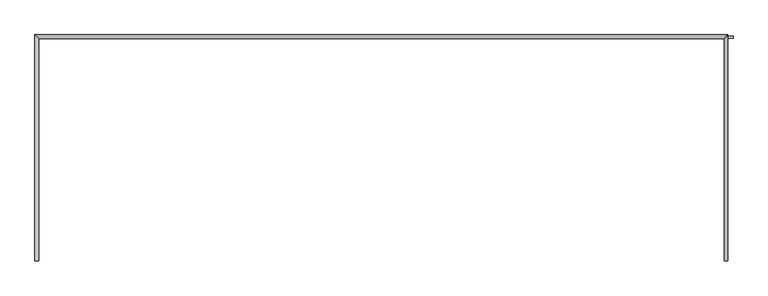
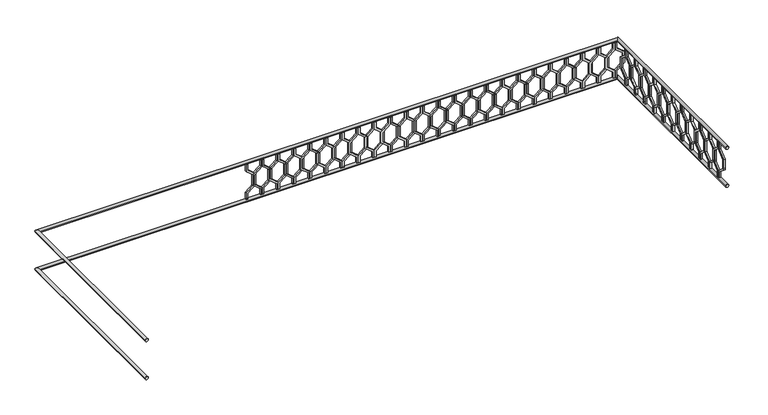
"""IFC4 building model written with IfcOpenShell, lengths in millimetres: railing geometry."""

from ifc_helpers import new_model, si_unit, frame, origin, place, context, project, spatial, polyline, circle_curve, ellipse_curve, outline, extrude, source, transform, mapped, element, save
from ifc_brep_helpers import plane_surface, cylinder_surface, advanced_brep


def railing_8a03a0f4(model_context):
    return source(origin(), model_context, "Body", "SolidModel", [
        advanced_brep(
        [(42360.0112841, 903.1079487, 22080.0), (42320.0112841, 903.1079487, 22080.0), (42320.0112841, 3283.1079487, 22080.0), (42360.0112841, 3243.1079487, 22080.0), (49600.0112841, 3283.1079487, 22080.0), (49560.0112841, 3243.1079487, 22080.0), (49560.0112841, 903.1079487, 22080.0), (49600.0112841, 903.1079487, 22080.0)],
        [
            (0, 1, circle_curve(frame((42340.0112841, 903.1079487, 22080.0), z_axis=(0.0, -1.0, 0.0), x_axis=(-1.0, 0.0, 0.0)), 20.0)),
            (1, 0, circle_curve(frame((42340.0112841, 903.1079487, 22080.0), z_axis=(0.0, -1.0, 0.0), x_axis=(-1.0, 0.0, 0.0)), 20.0)),
            (1, 2),
            (2, 3, ellipse_curve(frame((42340.0112841, 3263.1079487, 22080.0), z_axis=(-0.7071067811865475, -0.7071067811865476, 0.0), x_axis=(0.7071067811865476, -0.7071067811865475, 0.0)), 28.2842712, 20.0)),
            (3, 0),
            (3, 2, ellipse_curve(frame((42340.0112841, 3263.1079487, 22080.0), z_axis=(-0.7071067811865475, -0.7071067811865476, 0.0), x_axis=(0.7071067811865476, -0.7071067811865475, 0.0)), 28.2842712, 20.0)),
            (2, 4),
            (4, 5, ellipse_curve(frame((49580.0112841, 3263.1079487, 22080.0), z_axis=(-0.7071067811865481, 0.7071067811865469, 0.0), x_axis=(-0.7071067811865469, -0.7071067811865481, 0.0)), 28.2842712, 20.0)),
            (5, 3),
            (5, 4, ellipse_curve(frame((49580.0112841, 3263.1079487, 22080.0), z_axis=(-0.7071067811865481, 0.7071067811865469, 0.0), x_axis=(-0.7071067811865469, -0.7071067811865481, 0.0)), 28.2842712, 20.0)),
            (6, 7, circle_curve(frame((49580.0112841, 903.1079487, 22080.0), z_axis=(0.0, -1.0, 0.0), x_axis=(1.0, 0.0, 0.0)), 20.0)),
            (7, 6, circle_curve(frame((49580.0112841, 903.1079487, 22080.0), z_axis=(0.0, -1.0, 0.0), x_axis=(1.0, 0.0, 0.0)), 20.0)),
            (4, 7),
            (6, 5),
        ],
        [
            plane_surface(frame((42340.0112841, 903.1079487, 22100.0), z_axis=(0.0, -1.0, 0.0), x_axis=(0.0, 0.0, 1.0))),
            cylinder_surface(frame((42340.0112841, 903.1079487, 22080.0), z_axis=(0.0, -1.0, 0.0), x_axis=(-1.0, 0.0, 0.0)), 20.0),
            cylinder_surface(frame((42340.0112841, 3263.1079487, 22080.0), z_axis=(-1.0, 0.0, 0.0), x_axis=(0.0, 1.0, 0.0)), 20.0),
            plane_surface(frame((49580.0112841, 903.1079487, 22100.0), z_axis=(0.0, -1.0, 0.0), x_axis=(0.0, 0.0, -1.0))),
            cylinder_surface(frame((49580.0112841, 3263.1079487, 22080.0), z_axis=(0.0, 1.0, 0.0), x_axis=(1.0, 0.0, 0.0)), 20.0),
        ],
        [
            (0, [[1, 2]]),
            (1, [[-2, 3, 4, 5]]),
            (1, [[-1, -5, 6, -3]]),
            (2, [[-4, 7, 8, 9]]),
            (2, [[-6, -9, 10, -7]]),
            (3, [[11, 12]]),
            (4, [[-8, 13, -11, 14]]),
            (4, [[-10, -14, -12, -13]]),
        ],
    ),
        advanced_brep(
        [(42360.0112841, 903.1079487, 21580.0), (42320.0112841, 903.1079487, 21580.0), (42320.0112841, 3283.1079487, 21580.0), (42360.0112841, 3243.1079487, 21580.0), (49600.0112841, 3283.1079487, 21580.0), (49560.0112841, 3243.1079487, 21580.0), (49560.0112841, 903.1079487, 21580.0), (49600.0112841, 903.1079487, 21580.0)],
        [
            (0, 1, circle_curve(frame((42340.0112841, 903.1079487, 21580.0), z_axis=(0.0, -1.0, 0.0), x_axis=(-1.0, 0.0, 0.0)), 20.0)),
            (1, 0, circle_curve(frame((42340.0112841, 903.1079487, 21580.0), z_axis=(0.0, -1.0, 0.0), x_axis=(-1.0, 0.0, 0.0)), 20.0)),
            (1, 2),
            (2, 3, ellipse_curve(frame((42340.0112841, 3263.1079487, 21580.0), z_axis=(-0.7071067811865475, -0.7071067811865476, 0.0), x_axis=(0.7071067811865476, -0.7071067811865475, 0.0)), 28.2842712, 20.0)),
            (3, 0),
            (3, 2, ellipse_curve(frame((42340.0112841, 3263.1079487, 21580.0), z_axis=(-0.7071067811865475, -0.7071067811865476, 0.0), x_axis=(0.7071067811865476, -0.7071067811865475, 0.0)), 28.2842712, 20.0)),
            (2, 4),
            (4, 5, ellipse_curve(frame((49580.0112841, 3263.1079487, 21580.0), z_axis=(-0.7071067811865481, 0.7071067811865469, 0.0), x_axis=(-0.7071067811865469, -0.7071067811865481, 0.0)), 28.2842712, 20.0)),
            (5, 3),
            (5, 4, ellipse_curve(frame((49580.0112841, 3263.1079487, 21580.0), z_axis=(-0.7071067811865481, 0.7071067811865469, 0.0), x_axis=(-0.7071067811865469, -0.7071067811865481, 0.0)), 28.2842712, 20.0)),
            (6, 7, circle_curve(frame((49580.0112841, 903.1079487, 21580.0), z_axis=(0.0, -1.0, 0.0), x_axis=(1.0, 0.0, 0.0)), 20.0)),
            (7, 6, circle_curve(frame((49580.0112841, 903.1079487, 21580.0), z_axis=(0.0, -1.0, 0.0), x_axis=(1.0, 0.0, 0.0)), 20.0)),
            (4, 7),
            (6, 5),
        ],
        [
            plane_surface(frame((42340.0112841, 903.1079487, 21600.0), z_axis=(0.0, -1.0, 0.0), x_axis=(0.0, 0.0, 1.0))),
            cylinder_surface(frame((42340.0112841, 903.1079487, 21580.0), z_axis=(0.0, -1.0, 0.0), x_axis=(-1.0, 0.0, 0.0)), 20.0),
            cylinder_surface(frame((42340.0112841, 3263.1079487, 21580.0), z_axis=(-1.0, 0.0, 0.0), x_axis=(0.0, 1.0, 0.0)), 20.0),
            plane_surface(frame((49580.0112841, 903.1079487, 21600.0), z_axis=(0.0, -1.0, 0.0), x_axis=(0.0, 0.0, -1.0))),
            cylinder_surface(frame((49580.0112841, 3263.1079487, 21580.0), z_axis=(0.0, 1.0, 0.0), x_axis=(1.0, 0.0, 0.0)), 20.0),
        ],
        [
            (0, [[1, 2]]),
            (1, [[-2, 3, 4, 5]]),
            (1, [[-1, -5, 6, -3]]),
            (2, [[-4, 7, 8, 9]]),
            (2, [[-6, -9, 10, -7]]),
            (3, [[11, 12]]),
            (4, [[-8, 13, -11, 14]]),
            (4, [[-10, -14, -12, -13]]),
        ],
    ),
        extrude(outline(polyline([(1068.1079487, 22060.0), (1068.1079487, 21970.448155), (969.1129993, 21890.448155), (969.1129993, 21769.551845), (1068.1079487, 21689.551845), (1068.1079487, 21600.0), (1048.1079487, 21600.0), (1048.1079487, 21680.0), (949.1129993, 21760.0), (949.1129993, 21900.0), (1048.1079487, 21980.0), (1048.1079487, 22060.0), (1068.1079487, 22060.0)])), frame((49565.0112841, 0.0, 0.0), z_axis=(1.0, 0.0, 0.0), x_axis=(0.0, 1.0, 0.0)), (0.0, 0.0, 1.0), 20.0),
        extrude(outline(polyline([(1068.1079487, 22060.0), (1088.1079487, 22060.0), (1088.1079487, 21980.0), (1187.102898, 21900.0), (1187.102898, 21760.0), (1088.1079487, 21680.0), (1088.1079487, 21600.0), (1068.1079487, 21600.0), (1068.1079487, 21689.551845), (1167.102898, 21769.551845), (1167.102898, 21890.448155), (1068.1079487, 21970.448155), (1068.1079487, 22060.0)])), frame((49565.0112841, 0.0, 0.0), z_axis=(1.0, 0.0, 0.0), x_axis=(0.0, 1.0, 0.0)), (0.0, 0.0, 1.0), 20.0),
        extrude(outline(polyline([(1268.1079487, 22060.0), (1268.1079487, 21970.448155), (1169.1129993, 21890.448155), (1169.1129993, 21769.551845), (1268.1079487, 21689.551845), (1268.1079487, 21600.0), (1248.1079487, 21600.0), (1248.1079487, 21680.0), (1149.1129993, 21760.0), (1149.1129993, 21900.0), (1248.1079487, 21980.0), (1248.1079487, 22060.0), (1268.1079487, 22060.0)])), frame((49565.0112841, 0.0, 0.0), z_axis=(1.0, 0.0, 0.0), x_axis=(0.0, 1.0, 0.0)), (0.0, 0.0, 1.0), 20.0),
        extrude(outline(polyline([(1268.1079487, 22060.0), (1288.1079487, 22060.0), (1288.1079487, 21980.0), (1387.102898, 21900.0), (1387.102898, 21760.0), (1288.1079487, 21680.0), (1288.1079487, 21600.0), (1268.1079487, 21600.0), (1268.1079487, 21689.551845), (1367.102898, 21769.551845), (1367.102898, 21890.448155), (1268.1079487, 21970.448155), (1268.1079487, 22060.0)])), frame((49565.0112841, 0.0, 0.0), z_axis=(1.0, 0.0, 0.0), x_axis=(0.0, 1.0, 0.0)), (0.0, 0.0, 1.0), 20.0),
        extrude(outline(polyline([(1468.1079487, 22060.0), (1468.1079487, 21970.448155), (1369.1129993, 21890.448155), (1369.1129993, 21769.551845), (1468.1079487, 21689.551845), (1468.1079487, 21600.0), (1448.1079487, 21600.0), (1448.1079487, 21680.0), (1349.1129993, 21760.0), (1349.1129993, 21900.0), (1448.1079487, 21980.0), (1448.1079487, 22060.0), (1468.1079487, 22060.0)])), frame((49565.0112841, 0.0, 0.0), z_axis=(1.0, 0.0, 0.0), x_axis=(0.0, 1.0, 0.0)), (0.0, 0.0, 1.0), 20.0),
        extrude(outline(polyline([(1468.1079487, 22060.0), (1488.1079487, 22060.0), (1488.1079487, 21980.0), (1587.102898, 21900.0), (1587.102898, 21760.0), (1488.1079487, 21680.0), (1488.1079487, 21600.0), (1468.1079487, 21600.0), (1468.1079487, 21689.551845), (1567.102898, 21769.551845), (1567.102898, 21890.448155), (1468.1079487, 21970.448155), (1468.1079487, 22060.0)])), frame((49565.0112841, 0.0, 0.0), z_axis=(1.0, 0.0, 0.0), x_axis=(0.0, 1.0, 0.0)), (0.0, 0.0, 1.0), 20.0),
        extrude(outline(polyline([(1668.1079487, 22060.0), (1668.1079487, 21970.448155), (1569.1129993, 21890.448155), (1569.1129993, 21769.551845), (1668.1079487, 21689.551845), (1668.1079487, 21600.0), (1648.1079487, 21600.0), (1648.1079487, 21680.0), (1549.1129993, 21760.0), (1549.1129993, 21900.0), (1648.1079487, 21980.0), (1648.1079487, 22060.0), (1668.1079487, 22060.0)])), frame((49565.0112841, 0.0, 0.0), z_axis=(1.0, 0.0, 0.0), x_axis=(0.0, 1.0, 0.0)), (0.0, 0.0, 1.0), 20.0),
        extrude(outline(polyline([(1668.1079487, 22060.0), (1688.1079487, 22060.0), (1688.1079487, 21980.0), (1787.102898, 21900.0), (1787.102898, 21760.0), (1688.1079487, 21680.0), (1688.1079487, 21600.0), (1668.1079487, 21600.0), (1668.1079487, 21689.551845), (1767.102898, 21769.551845), (1767.102898, 21890.448155), (1668.1079487, 21970.448155), (1668.1079487, 22060.0)])), frame((49565.0112841, 0.0, 0.0), z_axis=(1.0, 0.0, 0.0), x_axis=(0.0, 1.0, 0.0)), (0.0, 0.0, 1.0), 20.0),
        extrude(outline(polyline([(1868.1079487, 22060.0), (1868.1079487, 21970.448155), (1769.1129993, 21890.448155), (1769.1129993, 21769.551845), (1868.1079487, 21689.551845), (1868.1079487, 21600.0), (1848.1079487, 21600.0), (1848.1079487, 21680.0), (1749.1129993, 21760.0), (1749.1129993, 21900.0), (1848.1079487, 21980.0), (1848.1079487, 22060.0), (1868.1079487, 22060.0)])), frame((49565.0112841, 0.0, 0.0), z_axis=(1.0, 0.0, 0.0), x_axis=(0.0, 1.0, 0.0)), (0.0, 0.0, 1.0), 20.0),
        extrude(outline(polyline([(1868.1079487, 22060.0), (1888.1079487, 22060.0), (1888.1079487, 21980.0), (1987.102898, 21900.0), (1987.102898, 21760.0), (1888.1079487, 21680.0), (1888.1079487, 21600.0), (1868.1079487, 21600.0), (1868.1079487, 21689.551845), (1967.102898, 21769.551845), (1967.102898, 21890.448155), (1868.1079487, 21970.448155), (1868.1079487, 22060.0)])), frame((49565.0112841, 0.0, 0.0), z_axis=(1.0, 0.0, 0.0), x_axis=(0.0, 1.0, 0.0)), (0.0, 0.0, 1.0), 20.0),
        extrude(outline(polyline([(2068.1079487, 22060.0), (2068.1079487, 21970.448155), (1969.1129993, 21890.448155), (1969.1129993, 21769.551845), (2068.1079487, 21689.551845), (2068.1079487, 21600.0), (2048.1079487, 21600.0), (2048.1079487, 21680.0), (1949.1129993, 21760.0), (1949.1129993, 21900.0), (2048.1079487, 21980.0), (2048.1079487, 22060.0), (2068.1079487, 22060.0)])), frame((49565.0112841, 0.0, 0.0), z_axis=(1.0, 0.0, 0.0), x_axis=(0.0, 1.0, 0.0)), (0.0, 0.0, 1.0), 20.0),
        extrude(outline(polyline([(2068.1079487, 22060.0), (2088.1079487, 22060.0), (2088.1079487, 21980.0), (2187.102898, 21900.0), (2187.102898, 21760.0), (2088.1079487, 21680.0), (2088.1079487, 21600.0), (2068.1079487, 21600.0), (2068.1079487, 21689.551845), (2167.102898, 21769.551845), (2167.102898, 21890.448155), (2068.1079487, 21970.448155), (2068.1079487, 22060.0)])), frame((49565.0112841, 0.0, 0.0), z_axis=(1.0, 0.0, 0.0), x_axis=(0.0, 1.0, 0.0)), (0.0, 0.0, 1.0), 20.0),
        extrude(outline(polyline([(2268.1079487, 22060.0), (2268.1079487, 21970.448155), (2169.1129993, 21890.448155), (2169.1129993, 21769.551845), (2268.1079487, 21689.551845), (2268.1079487, 21600.0), (2248.1079487, 21600.0), (2248.1079487, 21680.0), (2149.1129993, 21760.0), (2149.1129993, 21900.0), (2248.1079487, 21980.0), (2248.1079487, 22060.0), (2268.1079487, 22060.0)])), frame((49565.0112841, 0.0, 0.0), z_axis=(1.0, 0.0, 0.0), x_axis=(0.0, 1.0, 0.0)), (0.0, 0.0, 1.0), 20.0),
        extrude(outline(polyline([(2268.1079487, 22060.0), (2288.1079487, 22060.0), (2288.1079487, 21980.0), (2387.102898, 21900.0), (2387.102898, 21760.0), (2288.1079487, 21680.0), (2288.1079487, 21600.0), (2268.1079487, 21600.0), (2268.1079487, 21689.551845), (2367.102898, 21769.551845), (2367.102898, 21890.448155), (2268.1079487, 21970.448155), (2268.1079487, 22060.0)])), frame((49565.0112841, 0.0, 0.0), z_axis=(1.0, 0.0, 0.0), x_axis=(0.0, 1.0, 0.0)), (0.0, 0.0, 1.0), 20.0),
        extrude(outline(polyline([(2468.1079487, 22060.0), (2468.1079487, 21970.448155), (2369.1129993, 21890.448155), (2369.1129993, 21769.551845), (2468.1079487, 21689.551845), (2468.1079487, 21600.0), (2448.1079487, 21600.0), (2448.1079487, 21680.0), (2349.1129993, 21760.0), (2349.1129993, 21900.0), (2448.1079487, 21980.0), (2448.1079487, 22060.0), (2468.1079487, 22060.0)])), frame((49565.0112841, 0.0, 0.0), z_axis=(1.0, 0.0, 0.0), x_axis=(0.0, 1.0, 0.0)), (0.0, 0.0, 1.0), 20.0),
        extrude(outline(polyline([(2468.1079487, 22060.0), (2488.1079487, 22060.0), (2488.1079487, 21980.0), (2587.102898, 21900.0), (2587.102898, 21760.0), (2488.1079487, 21680.0), (2488.1079487, 21600.0), (2468.1079487, 21600.0), (2468.1079487, 21689.551845), (2567.102898, 21769.551845), (2567.102898, 21890.448155), (2468.1079487, 21970.448155), (2468.1079487, 22060.0)])), frame((49565.0112841, 0.0, 0.0), z_axis=(1.0, 0.0, 0.0), x_axis=(0.0, 1.0, 0.0)), (0.0, 0.0, 1.0), 20.0),
        extrude(outline(polyline([(2668.1079487, 22060.0), (2668.1079487, 21970.448155), (2569.1129993, 21890.448155), (2569.1129993, 21769.551845), (2668.1079487, 21689.551845), (2668.1079487, 21600.0), (2648.1079487, 21600.0), (2648.1079487, 21680.0), (2549.1129993, 21760.0), (2549.1129993, 21900.0), (2648.1079487, 21980.0), (2648.1079487, 22060.0), (2668.1079487, 22060.0)])), frame((49565.0112841, 0.0, 0.0), z_axis=(1.0, 0.0, 0.0), x_axis=(0.0, 1.0, 0.0)), (0.0, 0.0, 1.0), 20.0),
        extrude(outline(polyline([(2668.1079487, 22060.0), (2688.1079487, 22060.0), (2688.1079487, 21980.0), (2787.102898, 21900.0), (2787.102898, 21760.0), (2688.1079487, 21680.0), (2688.1079487, 21600.0), (2668.1079487, 21600.0), (2668.1079487, 21689.551845), (2767.102898, 21769.551845), (2767.102898, 21890.448155), (2668.1079487, 21970.448155), (2668.1079487, 22060.0)])), frame((49565.0112841, 0.0, 0.0), z_axis=(1.0, 0.0, 0.0), x_axis=(0.0, 1.0, 0.0)), (0.0, 0.0, 1.0), 20.0),
        extrude(outline(polyline([(2868.1079487, 22060.0), (2868.1079487, 21970.448155), (2769.1129993, 21890.448155), (2769.1129993, 21769.551845), (2868.1079487, 21689.551845), (2868.1079487, 21600.0), (2848.1079487, 21600.0), (2848.1079487, 21680.0), (2749.1129993, 21760.0), (2749.1129993, 21900.0), (2848.1079487, 21980.0), (2848.1079487, 22060.0), (2868.1079487, 22060.0)])), frame((49565.0112841, 0.0, 0.0), z_axis=(1.0, 0.0, 0.0), x_axis=(0.0, 1.0, 0.0)), (0.0, 0.0, 1.0), 20.0),
        extrude(outline(polyline([(2868.1079487, 22060.0), (2888.1079487, 22060.0), (2888.1079487, 21980.0), (2987.102898, 21900.0), (2987.102898, 21760.0), (2888.1079487, 21680.0), (2888.1079487, 21600.0), (2868.1079487, 21600.0), (2868.1079487, 21689.551845), (2967.102898, 21769.551845), (2967.102898, 21890.448155), (2868.1079487, 21970.448155), (2868.1079487, 22060.0)])), frame((49565.0112841, 0.0, 0.0), z_axis=(1.0, 0.0, 0.0), x_axis=(0.0, 1.0, 0.0)), (0.0, 0.0, 1.0), 20.0),
        extrude(outline(polyline([(3068.1079487, 22060.0), (3068.1079487, 21970.448155), (2969.1129993, 21890.448155), (2969.1129993, 21769.551845), (3068.1079487, 21689.551845), (3068.1079487, 21600.0), (3048.1079487, 21600.0), (3048.1079487, 21680.0), (2949.1129993, 21760.0), (2949.1129993, 21900.0), (3048.1079487, 21980.0), (3048.1079487, 22060.0), (3068.1079487, 22060.0)])), frame((49565.0112841, 0.0, 0.0), z_axis=(1.0, 0.0, 0.0), x_axis=(0.0, 1.0, 0.0)), (0.0, 0.0, 1.0), 20.0),
        extrude(outline(polyline([(3068.1079487, 22060.0), (3088.1079487, 22060.0), (3088.1079487, 21980.0), (3187.102898, 21900.0), (3187.102898, 21760.0), (3088.1079487, 21680.0), (3088.1079487, 21600.0), (3068.1079487, 21600.0), (3068.1079487, 21689.551845), (3167.102898, 21769.551845), (3167.102898, 21890.448155), (3068.1079487, 21970.448155), (3068.1079487, 22060.0)])), frame((49565.0112841, 0.0, 0.0), z_axis=(1.0, 0.0, 0.0), x_axis=(0.0, 1.0, 0.0)), (0.0, 0.0, 1.0), 20.0),
        extrude(outline(polyline([(22060.0, 49535.0112841), (21970.448155, 49535.0112841), (21890.448155, 49634.0062335), (21769.551845, 49634.0062335), (21689.551845, 49535.0112841), (21600.0, 49535.0112841), (21600.0, 49555.0112841), (21680.0, 49555.0112841), (21760.0, 49654.0062335), (21900.0, 49654.0062335), (21980.0, 49555.0112841), (22060.0, 49555.0112841), (22060.0, 49535.0112841)])), frame((0.0, 3248.1079487, 0.0), z_axis=(0.0, 1.0, 0.0), x_axis=(0.0, 0.0, 1.0)), (0.0, 0.0, 1.0), 20.0),
        extrude(outline(polyline([(22060.0, 49535.0112841), (22060.0, 49515.0112841), (21980.0, 49515.0112841), (21900.0, 49416.0163347), (21760.0, 49416.0163347), (21680.0, 49515.0112841), (21600.0, 49515.0112841), (21600.0, 49535.0112841), (21689.551845, 49535.0112841), (21769.551845, 49436.0163347), (21890.448155, 49436.0163347), (21970.448155, 49535.0112841), (22060.0, 49535.0112841)])), frame((0.0, 3248.1079487, 0.0), z_axis=(0.0, 1.0, 0.0), x_axis=(0.0, 0.0, 1.0)), (0.0, 0.0, 1.0), 20.0),
        extrude(outline(polyline([(22060.0, 49335.0112841), (21970.448155, 49335.0112841), (21890.448155, 49434.0062335), (21769.551845, 49434.0062335), (21689.551845, 49335.0112841), (21600.0, 49335.0112841), (21600.0, 49355.0112841), (21680.0, 49355.0112841), (21760.0, 49454.0062335), (21900.0, 49454.0062335), (21980.0, 49355.0112841), (22060.0, 49355.0112841), (22060.0, 49335.0112841)])), frame((0.0, 3248.1079487, 0.0), z_axis=(0.0, 1.0, 0.0), x_axis=(0.0, 0.0, 1.0)), (0.0, 0.0, 1.0), 20.0),
        extrude(outline(polyline([(22060.0, 49335.0112841), (22060.0, 49315.0112841), (21980.0, 49315.0112841), (21900.0, 49216.0163347), (21760.0, 49216.0163347), (21680.0, 49315.0112841), (21600.0, 49315.0112841), (21600.0, 49335.0112841), (21689.551845, 49335.0112841), (21769.551845, 49236.0163347), (21890.448155, 49236.0163347), (21970.448155, 49335.0112841), (22060.0, 49335.0112841)])), frame((0.0, 3248.1079487, 0.0), z_axis=(0.0, 1.0, 0.0), x_axis=(0.0, 0.0, 1.0)), (0.0, 0.0, 1.0), 20.0),
        extrude(outline(polyline([(22060.0, 49135.0112841), (21970.448155, 49135.0112841), (21890.448155, 49234.0062335), (21769.551845, 49234.0062335), (21689.551845, 49135.0112841), (21600.0, 49135.0112841), (21600.0, 49155.0112841), (21680.0, 49155.0112841), (21760.0, 49254.0062335), (21900.0, 49254.0062335), (21980.0, 49155.0112841), (22060.0, 49155.0112841), (22060.0, 49135.0112841)])), frame((0.0, 3248.1079487, 0.0), z_axis=(0.0, 1.0, 0.0), x_axis=(0.0, 0.0, 1.0)), (0.0, 0.0, 1.0), 20.0),
        extrude(outline(polyline([(22060.0, 49135.0112841), (22060.0, 49115.0112841), (21980.0, 49115.0112841), (21900.0, 49016.0163347), (21760.0, 49016.0163347), (21680.0, 49115.0112841), (21600.0, 49115.0112841), (21600.0, 49135.0112841), (21689.551845, 49135.0112841), (21769.551845, 49036.0163347), (21890.448155, 49036.0163347), (21970.448155, 49135.0112841), (22060.0, 49135.0112841)])), frame((0.0, 3248.1079487, 0.0), z_axis=(0.0, 1.0, 0.0), x_axis=(0.0, 0.0, 1.0)), (0.0, 0.0, 1.0), 20.0),
        extrude(outline(polyline([(22060.0, 48935.0112841), (21970.448155, 48935.0112841), (21890.448155, 49034.0062335), (21769.551845, 49034.0062335), (21689.551845, 48935.0112841), (21600.0, 48935.0112841), (21600.0, 48955.0112841), (21680.0, 48955.0112841), (21760.0, 49054.0062335), (21900.0, 49054.0062335), (21980.0, 48955.0112841), (22060.0, 48955.0112841), (22060.0, 48935.0112841)])), frame((0.0, 3248.1079487, 0.0), z_axis=(0.0, 1.0, 0.0), x_axis=(0.0, 0.0, 1.0)), (0.0, 0.0, 1.0), 20.0),
        extrude(outline(polyline([(22060.0, 48935.0112841), (22060.0, 48915.0112841), (21980.0, 48915.0112841), (21900.0, 48816.0163347), (21760.0, 48816.0163347), (21680.0, 48915.0112841), (21600.0, 48915.0112841), (21600.0, 48935.0112841), (21689.551845, 48935.0112841), (21769.551845, 48836.0163347), (21890.448155, 48836.0163347), (21970.448155, 48935.0112841), (22060.0, 48935.0112841)])), frame((0.0, 3248.1079487, 0.0), z_axis=(0.0, 1.0, 0.0), x_axis=(0.0, 0.0, 1.0)), (0.0, 0.0, 1.0), 20.0),
        extrude(outline(polyline([(22060.0, 48735.0112841), (21970.448155, 48735.0112841), (21890.448155, 48834.0062335), (21769.551845, 48834.0062335), (21689.551845, 48735.0112841), (21600.0, 48735.0112841), (21600.0, 48755.0112841), (21680.0, 48755.0112841), (21760.0, 48854.0062335), (21900.0, 48854.0062335), (21980.0, 48755.0112841), (22060.0, 48755.0112841), (22060.0, 48735.0112841)])), frame((0.0, 3248.1079487, 0.0), z_axis=(0.0, 1.0, 0.0), x_axis=(0.0, 0.0, 1.0)), (0.0, 0.0, 1.0), 20.0),
        extrude(outline(polyline([(22060.0, 48735.0112841), (22060.0, 48715.0112841), (21980.0, 48715.0112841), (21900.0, 48616.0163347), (21760.0, 48616.0163347), (21680.0, 48715.0112841), (21600.0, 48715.0112841), (21600.0, 48735.0112841), (21689.551845, 48735.0112841), (21769.551845, 48636.0163347), (21890.448155, 48636.0163347), (21970.448155, 48735.0112841), (22060.0, 48735.0112841)])), frame((0.0, 3248.1079487, 0.0), z_axis=(0.0, 1.0, 0.0), x_axis=(0.0, 0.0, 1.0)), (0.0, 0.0, 1.0), 20.0),
        extrude(outline(polyline([(22060.0, 48535.0112841), (21970.448155, 48535.0112841), (21890.448155, 48634.0062335), (21769.551845, 48634.0062335), (21689.551845, 48535.0112841), (21600.0, 48535.0112841), (21600.0, 48555.0112841), (21680.0, 48555.0112841), (21760.0, 48654.0062335), (21900.0, 48654.0062335), (21980.0, 48555.0112841), (22060.0, 48555.0112841), (22060.0, 48535.0112841)])), frame((0.0, 3248.1079487, 0.0), z_axis=(0.0, 1.0, 0.0), x_axis=(0.0, 0.0, 1.0)), (0.0, 0.0, 1.0), 20.0),
        extrude(outline(polyline([(22060.0, 48535.0112841), (22060.0, 48515.0112841), (21980.0, 48515.0112841), (21900.0, 48416.0163347), (21760.0, 48416.0163347), (21680.0, 48515.0112841), (21600.0, 48515.0112841), (21600.0, 48535.0112841), (21689.551845, 48535.0112841), (21769.551845, 48436.0163347), (21890.448155, 48436.0163347), (21970.448155, 48535.0112841), (22060.0, 48535.0112841)])), frame((0.0, 3248.1079487, 0.0), z_axis=(0.0, 1.0, 0.0), x_axis=(0.0, 0.0, 1.0)), (0.0, 0.0, 1.0), 20.0),
        extrude(outline(polyline([(22060.0, 48335.0112841), (21970.448155, 48335.0112841), (21890.448155, 48434.0062335), (21769.551845, 48434.0062335), (21689.551845, 48335.0112841), (21600.0, 48335.0112841), (21600.0, 48355.0112841), (21680.0, 48355.0112841), (21760.0, 48454.0062335), (21900.0, 48454.0062335), (21980.0, 48355.0112841), (22060.0, 48355.0112841), (22060.0, 48335.0112841)])), frame((0.0, 3248.1079487, 0.0), z_axis=(0.0, 1.0, 0.0), x_axis=(0.0, 0.0, 1.0)), (0.0, 0.0, 1.0), 20.0),
        extrude(outline(polyline([(22060.0, 48335.0112841), (22060.0, 48315.0112841), (21980.0, 48315.0112841), (21900.0, 48216.0163347), (21760.0, 48216.0163347), (21680.0, 48315.0112841), (21600.0, 48315.0112841), (21600.0, 48335.0112841), (21689.551845, 48335.0112841), (21769.551845, 48236.0163347), (21890.448155, 48236.0163347), (21970.448155, 48335.0112841), (22060.0, 48335.0112841)])), frame((0.0, 3248.1079487, 0.0), z_axis=(0.0, 1.0, 0.0), x_axis=(0.0, 0.0, 1.0)), (0.0, 0.0, 1.0), 20.0),
        extrude(outline(polyline([(22060.0, 48135.0112841), (21970.448155, 48135.0112841), (21890.448155, 48234.0062335), (21769.551845, 48234.0062335), (21689.551845, 48135.0112841), (21600.0, 48135.0112841), (21600.0, 48155.0112841), (21680.0, 48155.0112841), (21760.0, 48254.0062335), (21900.0, 48254.0062335), (21980.0, 48155.0112841), (22060.0, 48155.0112841), (22060.0, 48135.0112841)])), frame((0.0, 3248.1079487, 0.0), z_axis=(0.0, 1.0, 0.0), x_axis=(0.0, 0.0, 1.0)), (0.0, 0.0, 1.0), 20.0),
        extrude(outline(polyline([(22060.0, 48135.0112841), (22060.0, 48115.0112841), (21980.0, 48115.0112841), (21900.0, 48016.0163347), (21760.0, 48016.0163347), (21680.0, 48115.0112841), (21600.0, 48115.0112841), (21600.0, 48135.0112841), (21689.551845, 48135.0112841), (21769.551845, 48036.0163347), (21890.448155, 48036.0163347), (21970.448155, 48135.0112841), (22060.0, 48135.0112841)])), frame((0.0, 3248.1079487, 0.0), z_axis=(0.0, 1.0, 0.0), x_axis=(0.0, 0.0, 1.0)), (0.0, 0.0, 1.0), 20.0),
        extrude(outline(polyline([(22060.0, 47935.0112841), (21970.448155, 47935.0112841), (21890.448155, 48034.0062335), (21769.551845, 48034.0062335), (21689.551845, 47935.0112841), (21600.0, 47935.0112841), (21600.0, 47955.0112841), (21680.0, 47955.0112841), (21760.0, 48054.0062335), (21900.0, 48054.0062335), (21980.0, 47955.0112841), (22060.0, 47955.0112841), (22060.0, 47935.0112841)])), frame((0.0, 3248.1079487, 0.0), z_axis=(0.0, 1.0, 0.0), x_axis=(0.0, 0.0, 1.0)), (0.0, 0.0, 1.0), 20.0),
        extrude(outline(polyline([(22060.0, 47935.0112841), (22060.0, 47915.0112841), (21980.0, 47915.0112841), (21900.0, 47816.0163347), (21760.0, 47816.0163347), (21680.0, 47915.0112841), (21600.0, 47915.0112841), (21600.0, 47935.0112841), (21689.551845, 47935.0112841), (21769.551845, 47836.0163347), (21890.448155, 47836.0163347), (21970.448155, 47935.0112841), (22060.0, 47935.0112841)])), frame((0.0, 3248.1079487, 0.0), z_axis=(0.0, 1.0, 0.0), x_axis=(0.0, 0.0, 1.0)), (0.0, 0.0, 1.0), 20.0),
        extrude(outline(polyline([(22060.0, 47735.0112841), (21970.448155, 47735.0112841), (21890.448155, 47834.0062335), (21769.551845, 47834.0062335), (21689.551845, 47735.0112841), (21600.0, 47735.0112841), (21600.0, 47755.0112841), (21680.0, 47755.0112841), (21760.0, 47854.0062335), (21900.0, 47854.0062335), (21980.0, 47755.0112841), (22060.0, 47755.0112841), (22060.0, 47735.0112841)])), frame((0.0, 3248.1079487, 0.0), z_axis=(0.0, 1.0, 0.0), x_axis=(0.0, 0.0, 1.0)), (0.0, 0.0, 1.0), 20.0),
        extrude(outline(polyline([(22060.0, 47735.0112841), (22060.0, 47715.0112841), (21980.0, 47715.0112841), (21900.0, 47616.0163347), (21760.0, 47616.0163347), (21680.0, 47715.0112841), (21600.0, 47715.0112841), (21600.0, 47735.0112841), (21689.551845, 47735.0112841), (21769.551845, 47636.0163347), (21890.448155, 47636.0163347), (21970.448155, 47735.0112841), (22060.0, 47735.0112841)])), frame((0.0, 3248.1079487, 0.0), z_axis=(0.0, 1.0, 0.0), x_axis=(0.0, 0.0, 1.0)), (0.0, 0.0, 1.0), 20.0),
        extrude(outline(polyline([(22060.0, 47535.0112841), (21970.448155, 47535.0112841), (21890.448155, 47634.0062335), (21769.551845, 47634.0062335), (21689.551845, 47535.0112841), (21600.0, 47535.0112841), (21600.0, 47555.0112841), (21680.0, 47555.0112841), (21760.0, 47654.0062335), (21900.0, 47654.0062335), (21980.0, 47555.0112841), (22060.0, 47555.0112841), (22060.0, 47535.0112841)])), frame((0.0, 3248.1079487, 0.0), z_axis=(0.0, 1.0, 0.0), x_axis=(0.0, 0.0, 1.0)), (0.0, 0.0, 1.0), 20.0),
        extrude(outline(polyline([(22060.0, 47535.0112841), (22060.0, 47515.0112841), (21980.0, 47515.0112841), (21900.0, 47416.0163347), (21760.0, 47416.0163347), (21680.0, 47515.0112841), (21600.0, 47515.0112841), (21600.0, 47535.0112841), (21689.551845, 47535.0112841), (21769.551845, 47436.0163347), (21890.448155, 47436.0163347), (21970.448155, 47535.0112841), (22060.0, 47535.0112841)])), frame((0.0, 3248.1079487, 0.0), z_axis=(0.0, 1.0, 0.0), x_axis=(0.0, 0.0, 1.0)), (0.0, 0.0, 1.0), 20.0),
        extrude(outline(polyline([(22060.0, 47335.0112841), (21970.448155, 47335.0112841), (21890.448155, 47434.0062335), (21769.551845, 47434.0062335), (21689.551845, 47335.0112841), (21600.0, 47335.0112841), (21600.0, 47355.0112841), (21680.0, 47355.0112841), (21760.0, 47454.0062335), (21900.0, 47454.0062335), (21980.0, 47355.0112841), (22060.0, 47355.0112841), (22060.0, 47335.0112841)])), frame((0.0, 3248.1079487, 0.0), z_axis=(0.0, 1.0, 0.0), x_axis=(0.0, 0.0, 1.0)), (0.0, 0.0, 1.0), 20.0),
        extrude(outline(polyline([(22060.0, 47335.0112841), (22060.0, 47315.0112841), (21980.0, 47315.0112841), (21900.0, 47216.0163347), (21760.0, 47216.0163347), (21680.0, 47315.0112841), (21600.0, 47315.0112841), (21600.0, 47335.0112841), (21689.551845, 47335.0112841), (21769.551845, 47236.0163347), (21890.448155, 47236.0163347), (21970.448155, 47335.0112841), (22060.0, 47335.0112841)])), frame((0.0, 3248.1079487, 0.0), z_axis=(0.0, 1.0, 0.0), x_axis=(0.0, 0.0, 1.0)), (0.0, 0.0, 1.0), 20.0),
        extrude(outline(polyline([(22060.0, 47135.0112841), (21970.448155, 47135.0112841), (21890.448155, 47234.0062335), (21769.551845, 47234.0062335), (21689.551845, 47135.0112841), (21600.0, 47135.0112841), (21600.0, 47155.0112841), (21680.0, 47155.0112841), (21760.0, 47254.0062335), (21900.0, 47254.0062335), (21980.0, 47155.0112841), (22060.0, 47155.0112841), (22060.0, 47135.0112841)])), frame((0.0, 3248.1079487, 0.0), z_axis=(0.0, 1.0, 0.0), x_axis=(0.0, 0.0, 1.0)), (0.0, 0.0, 1.0), 20.0),
        extrude(outline(polyline([(22060.0, 47135.0112841), (22060.0, 47115.0112841), (21980.0, 47115.0112841), (21900.0, 47016.0163347), (21760.0, 47016.0163347), (21680.0, 47115.0112841), (21600.0, 47115.0112841), (21600.0, 47135.0112841), (21689.551845, 47135.0112841), (21769.551845, 47036.0163347), (21890.448155, 47036.0163347), (21970.448155, 47135.0112841), (22060.0, 47135.0112841)])), frame((0.0, 3248.1079487, 0.0), z_axis=(0.0, 1.0, 0.0), x_axis=(0.0, 0.0, 1.0)), (0.0, 0.0, 1.0), 20.0),
        extrude(outline(polyline([(22060.0, 46935.0112841), (21970.448155, 46935.0112841), (21890.448155, 47034.0062335), (21769.551845, 47034.0062335), (21689.551845, 46935.0112841), (21600.0, 46935.0112841), (21600.0, 46955.0112841), (21680.0, 46955.0112841), (21760.0, 47054.0062335), (21900.0, 47054.0062335), (21980.0, 46955.0112841), (22060.0, 46955.0112841), (22060.0, 46935.0112841)])), frame((0.0, 3248.1079487, 0.0), z_axis=(0.0, 1.0, 0.0), x_axis=(0.0, 0.0, 1.0)), (0.0, 0.0, 1.0), 20.0),
        extrude(outline(polyline([(22060.0, 46935.0112841), (22060.0, 46915.0112841), (21980.0, 46915.0112841), (21900.0, 46816.0163347), (21760.0, 46816.0163347), (21680.0, 46915.0112841), (21600.0, 46915.0112841), (21600.0, 46935.0112841), (21689.551845, 46935.0112841), (21769.551845, 46836.0163347), (21890.448155, 46836.0163347), (21970.448155, 46935.0112841), (22060.0, 46935.0112841)])), frame((0.0, 3248.1079487, 0.0), z_axis=(0.0, 1.0, 0.0), x_axis=(0.0, 0.0, 1.0)), (0.0, 0.0, 1.0), 20.0),
        extrude(outline(polyline([(22060.0, 46735.0112841), (21970.448155, 46735.0112841), (21890.448155, 46834.0062335), (21769.551845, 46834.0062335), (21689.551845, 46735.0112841), (21600.0, 46735.0112841), (21600.0, 46755.0112841), (21680.0, 46755.0112841), (21760.0, 46854.0062335), (21900.0, 46854.0062335), (21980.0, 46755.0112841), (22060.0, 46755.0112841), (22060.0, 46735.0112841)])), frame((0.0, 3248.1079487, 0.0), z_axis=(0.0, 1.0, 0.0), x_axis=(0.0, 0.0, 1.0)), (0.0, 0.0, 1.0), 20.0),
        extrude(outline(polyline([(22060.0, 46735.0112841), (22060.0, 46715.0112841), (21980.0, 46715.0112841), (21900.0, 46616.0163347), (21760.0, 46616.0163347), (21680.0, 46715.0112841), (21600.0, 46715.0112841), (21600.0, 46735.0112841), (21689.551845, 46735.0112841), (21769.551845, 46636.0163347), (21890.448155, 46636.0163347), (21970.448155, 46735.0112841), (22060.0, 46735.0112841)])), frame((0.0, 3248.1079487, 0.0), z_axis=(0.0, 1.0, 0.0), x_axis=(0.0, 0.0, 1.0)), (0.0, 0.0, 1.0), 20.0),
        extrude(outline(polyline([(22060.0, 46535.0112841), (21970.448155, 46535.0112841), (21890.448155, 46634.0062335), (21769.551845, 46634.0062335), (21689.551845, 46535.0112841), (21600.0, 46535.0112841), (21600.0, 46555.0112841), (21680.0, 46555.0112841), (21760.0, 46654.0062335), (21900.0, 46654.0062335), (21980.0, 46555.0112841), (22060.0, 46555.0112841), (22060.0, 46535.0112841)])), frame((0.0, 3248.1079487, 0.0), z_axis=(0.0, 1.0, 0.0), x_axis=(0.0, 0.0, 1.0)), (0.0, 0.0, 1.0), 20.0),
        extrude(outline(polyline([(22060.0, 46535.0112841), (22060.0, 46515.0112841), (21980.0, 46515.0112841), (21900.0, 46416.0163347), (21760.0, 46416.0163347), (21680.0, 46515.0112841), (21600.0, 46515.0112841), (21600.0, 46535.0112841), (21689.551845, 46535.0112841), (21769.551845, 46436.0163347), (21890.448155, 46436.0163347), (21970.448155, 46535.0112841), (22060.0, 46535.0112841)])), frame((0.0, 3248.1079487, 0.0), z_axis=(0.0, 1.0, 0.0), x_axis=(0.0, 0.0, 1.0)), (0.0, 0.0, 1.0), 20.0),
        extrude(outline(polyline([(22060.0, 46335.0112841), (21970.448155, 46335.0112841), (21890.448155, 46434.0062335), (21769.551845, 46434.0062335), (21689.551845, 46335.0112841), (21600.0, 46335.0112841), (21600.0, 46355.0112841), (21680.0, 46355.0112841), (21760.0, 46454.0062335), (21900.0, 46454.0062335), (21980.0, 46355.0112841), (22060.0, 46355.0112841), (22060.0, 46335.0112841)])), frame((0.0, 3248.1079487, 0.0), z_axis=(0.0, 1.0, 0.0), x_axis=(0.0, 0.0, 1.0)), (0.0, 0.0, 1.0), 20.0),
        extrude(outline(polyline([(22060.0, 46335.0112841), (22060.0, 46315.0112841), (21980.0, 46315.0112841), (21900.0, 46216.0163347), (21760.0, 46216.0163347), (21680.0, 46315.0112841), (21600.0, 46315.0112841), (21600.0, 46335.0112841), (21689.551845, 46335.0112841), (21769.551845, 46236.0163347), (21890.448155, 46236.0163347), (21970.448155, 46335.0112841), (22060.0, 46335.0112841)])), frame((0.0, 3248.1079487, 0.0), z_axis=(0.0, 1.0, 0.0), x_axis=(0.0, 0.0, 1.0)), (0.0, 0.0, 1.0), 20.0),
        extrude(outline(polyline([(22060.0, 46135.0112841), (21970.448155, 46135.0112841), (21890.448155, 46234.0062335), (21769.551845, 46234.0062335), (21689.551845, 46135.0112841), (21600.0, 46135.0112841), (21600.0, 46155.0112841), (21680.0, 46155.0112841), (21760.0, 46254.0062335), (21900.0, 46254.0062335), (21980.0, 46155.0112841), (22060.0, 46155.0112841), (22060.0, 46135.0112841)])), frame((0.0, 3248.1079487, 0.0), z_axis=(0.0, 1.0, 0.0), x_axis=(0.0, 0.0, 1.0)), (0.0, 0.0, 1.0), 20.0),
        extrude(outline(polyline([(22060.0, 46135.0112841), (22060.0, 46115.0112841), (21980.0, 46115.0112841), (21900.0, 46016.0163347), (21760.0, 46016.0163347), (21680.0, 46115.0112841), (21600.0, 46115.0112841), (21600.0, 46135.0112841), (21689.551845, 46135.0112841), (21769.551845, 46036.0163347), (21890.448155, 46036.0163347), (21970.448155, 46135.0112841), (22060.0, 46135.0112841)])), frame((0.0, 3248.1079487, 0.0), z_axis=(0.0, 1.0, 0.0), x_axis=(0.0, 0.0, 1.0)), (0.0, 0.0, 1.0), 20.0),
        extrude(outline(polyline([(22060.0, 45935.0112841), (21970.448155, 45935.0112841), (21890.448155, 46034.0062335), (21769.551845, 46034.0062335), (21689.551845, 45935.0112841), (21600.0, 45935.0112841), (21600.0, 45955.0112841), (21680.0, 45955.0112841), (21760.0, 46054.0062335), (21900.0, 46054.0062335), (21980.0, 45955.0112841), (22060.0, 45955.0112841), (22060.0, 45935.0112841)])), frame((0.0, 3248.1079487, 0.0), z_axis=(0.0, 1.0, 0.0), x_axis=(0.0, 0.0, 1.0)), (0.0, 0.0, 1.0), 20.0),
        extrude(outline(polyline([(22060.0, 45935.0112841), (22060.0, 45915.0112841), (21980.0, 45915.0112841), (21900.0, 45816.0163347), (21760.0, 45816.0163347), (21680.0, 45915.0112841), (21600.0, 45915.0112841), (21600.0, 45935.0112841), (21689.551845, 45935.0112841), (21769.551845, 45836.0163347), (21890.448155, 45836.0163347), (21970.448155, 45935.0112841), (22060.0, 45935.0112841)])), frame((0.0, 3248.1079487, 0.0), z_axis=(0.0, 1.0, 0.0), x_axis=(0.0, 0.0, 1.0)), (0.0, 0.0, 1.0), 20.0),
        extrude(outline(polyline([(22060.0, 45735.0112841), (21970.448155, 45735.0112841), (21890.448155, 45834.0062335), (21769.551845, 45834.0062335), (21689.551845, 45735.0112841), (21600.0, 45735.0112841), (21600.0, 45755.0112841), (21680.0, 45755.0112841), (21760.0, 45854.0062335), (21900.0, 45854.0062335), (21980.0, 45755.0112841), (22060.0, 45755.0112841), (22060.0, 45735.0112841)])), frame((0.0, 3248.1079487, 0.0), z_axis=(0.0, 1.0, 0.0), x_axis=(0.0, 0.0, 1.0)), (0.0, 0.0, 1.0), 20.0),
        extrude(outline(polyline([(22060.0, 45735.0112841), (22060.0, 45715.0112841), (21980.0, 45715.0112841), (21900.0, 45616.0163347), (21760.0, 45616.0163347), (21680.0, 45715.0112841), (21600.0, 45715.0112841), (21600.0, 45735.0112841), (21689.551845, 45735.0112841), (21769.551845, 45636.0163347), (21890.448155, 45636.0163347), (21970.448155, 45735.0112841), (22060.0, 45735.0112841)])), frame((0.0, 3248.1079487, 0.0), z_axis=(0.0, 1.0, 0.0), x_axis=(0.0, 0.0, 1.0)), (0.0, 0.0, 1.0), 20.0),
        extrude(outline(polyline([(22060.0, 45535.0112841), (21970.448155, 45535.0112841), (21890.448155, 45634.0062335), (21769.551845, 45634.0062335), (21689.551845, 45535.0112841), (21600.0, 45535.0112841), (21600.0, 45555.0112841), (21680.0, 45555.0112841), (21760.0, 45654.0062335), (21900.0, 45654.0062335), (21980.0, 45555.0112841), (22060.0, 45555.0112841), (22060.0, 45535.0112841)])), frame((0.0, 3248.1079487, 0.0), z_axis=(0.0, 1.0, 0.0), x_axis=(0.0, 0.0, 1.0)), (0.0, 0.0, 1.0), 20.0),
        extrude(outline(polyline([(22060.0, 45535.0112841), (22060.0, 45515.0112841), (21980.0, 45515.0112841), (21900.0, 45416.0163347), (21760.0, 45416.0163347), (21680.0, 45515.0112841), (21600.0, 45515.0112841), (21600.0, 45535.0112841), (21689.551845, 45535.0112841), (21769.551845, 45436.0163347), (21890.448155, 45436.0163347), (21970.448155, 45535.0112841), (22060.0, 45535.0112841)])), frame((0.0, 3248.1079487, 0.0), z_axis=(0.0, 1.0, 0.0), x_axis=(0.0, 0.0, 1.0)), (0.0, 0.0, 1.0), 20.0),
        extrude(outline(polyline([(22060.0, 45335.0112841), (21970.448155, 45335.0112841), (21890.448155, 45434.0062335), (21769.551845, 45434.0062335), (21689.551845, 45335.0112841), (21600.0, 45335.0112841), (21600.0, 45355.0112841), (21680.0, 45355.0112841), (21760.0, 45454.0062335), (21900.0, 45454.0062335), (21980.0, 45355.0112841), (22060.0, 45355.0112841), (22060.0, 45335.0112841)])), frame((0.0, 3248.1079487, 0.0), z_axis=(0.0, 1.0, 0.0), x_axis=(0.0, 0.0, 1.0)), (0.0, 0.0, 1.0), 20.0),
        extrude(outline(polyline([(22060.0, 45335.0112841), (22060.0, 45315.0112841), (21980.0, 45315.0112841), (21900.0, 45216.0163347), (21760.0, 45216.0163347), (21680.0, 45315.0112841), (21600.0, 45315.0112841), (21600.0, 45335.0112841), (21689.551845, 45335.0112841), (21769.551845, 45236.0163347), (21890.448155, 45236.0163347), (21970.448155, 45335.0112841), (22060.0, 45335.0112841)])), frame((0.0, 3248.1079487, 0.0), z_axis=(0.0, 1.0, 0.0), x_axis=(0.0, 0.0, 1.0)), (0.0, 0.0, 1.0), 20.0),
        extrude(outline(polyline([(22060.0, 45135.0112841), (21970.448155, 45135.0112841), (21890.448155, 45234.0062335), (21769.551845, 45234.0062335), (21689.551845, 45135.0112841), (21600.0, 45135.0112841), (21600.0, 45155.0112841), (21680.0, 45155.0112841), (21760.0, 45254.0062335), (21900.0, 45254.0062335), (21980.0, 45155.0112841), (22060.0, 45155.0112841), (22060.0, 45135.0112841)])), frame((0.0, 3248.1079487, 0.0), z_axis=(0.0, 1.0, 0.0), x_axis=(0.0, 0.0, 1.0)), (0.0, 0.0, 1.0), 20.0),
        extrude(outline(polyline([(22060.0, 45135.0112841), (22060.0, 45115.0112841), (21980.0, 45115.0112841), (21900.0, 45016.0163347), (21760.0, 45016.0163347), (21680.0, 45115.0112841), (21600.0, 45115.0112841), (21600.0, 45135.0112841), (21689.551845, 45135.0112841), (21769.551845, 45036.0163347), (21890.448155, 45036.0163347), (21970.448155, 45135.0112841), (22060.0, 45135.0112841)])), frame((0.0, 3248.1079487, 0.0), z_axis=(0.0, 1.0, 0.0), x_axis=(0.0, 0.0, 1.0)), (0.0, 0.0, 1.0), 20.0),
        extrude(outline(polyline([(22060.0, 44935.0112841), (21970.448155, 44935.0112841), (21890.448155, 45034.0062335), (21769.551845, 45034.0062335), (21689.551845, 44935.0112841), (21600.0, 44935.0112841), (21600.0, 44955.0112841), (21680.0, 44955.0112841), (21760.0, 45054.0062335), (21900.0, 45054.0062335), (21980.0, 44955.0112841), (22060.0, 44955.0112841), (22060.0, 44935.0112841)])), frame((0.0, 3248.1079487, 0.0), z_axis=(0.0, 1.0, 0.0), x_axis=(0.0, 0.0, 1.0)), (0.0, 0.0, 1.0), 20.0),
    ])


if __name__ == "__main__":
    model = new_model("IFC4")
    model_context = context("Model", 3, world=origin())
    ifc_project = project(units=[si_unit("LENGTHUNIT", "METRE", prefix="MILLI")], contexts=[model_context])
    site = spatial("IfcSite", under=ifc_project)
    building = spatial("IfcBuilding", under=site)
    placement = place(None, origin())
    railing_shape = railing_8a03a0f4(model_context)
    element("IfcRailing", 1, at=placement, inside=building, context=model_context, shape_type="MappedRepresentation", body=[
        mapped(railing_shape, transform((0.0, 0.0, 0.0), x_axis=(1.0, 0.0, 0.0), y_axis=(0.0, 1.0, 0.0), z_axis=(0.0, 0.0, 1.0))),
    ])
    save(model, "model.ifc")
